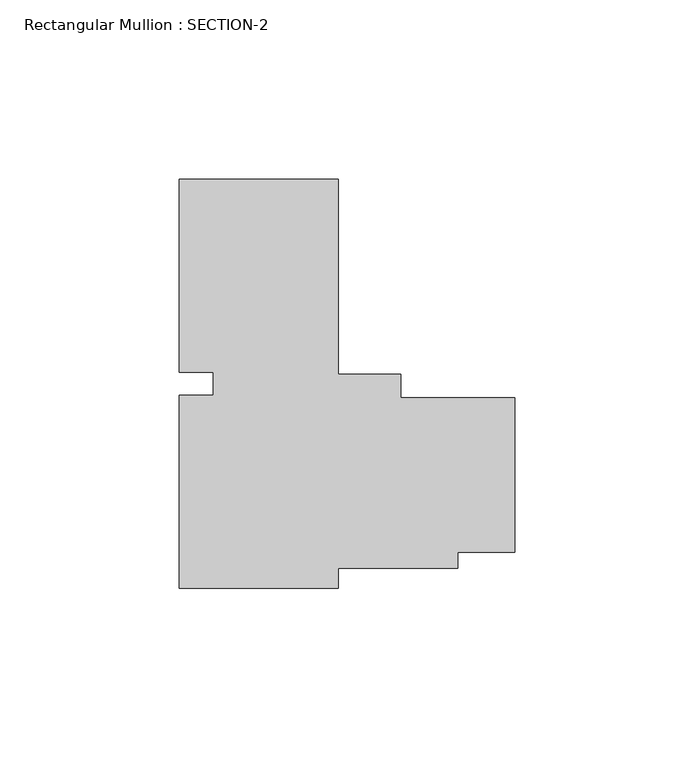
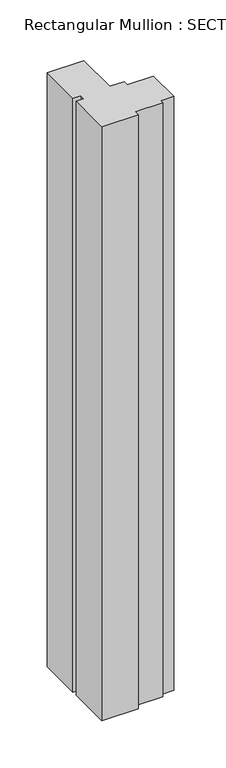
"""IFC4 building model written with IfcOpenShell, lengths in millimetres: member geometry, Rectangular Mullion : SECTION-2."""

from ifc_helpers import new_model, si_unit, frame, origin, place, context, project, spatial, polyline, outline, extrude, source, transform, mapped, element, save


def rectangular_mullion_section_2_3cfe7e94(model_context):
    return source(origin(), model_context, "Body", "SweptSolid", [
        extrude(outline(polyline([(-4.1635289, 59.6874919), (-4.1635289, 5.123688), (13.3002319, 5.123688), (13.3002319, -1.3313843), (45.0616711, -1.3313843), (45.0616711, -44.5050978), (29.1866711, -44.5050978), (29.1866711, -48.9563843), (-4.1635289, -48.9563843), (-4.1635289, -54.6125081), (-48.6135289, -54.6125081), (-48.6135289, -0.7134418), (-39.0885289, -0.7134418), (-39.0885289, 5.7267965), (-48.6135289, 5.7267965), (-48.6135289, 59.6874919), (-4.1635289, 59.6874919)])), frame((0.0, 0.0, -764.9541979), z_axis=(0.0, 0.0, 1.0), x_axis=(1.0, 0.0, 0.0)), (0.0, 0.0, 1.0), 764.9541979),
    ])


if __name__ == "__main__":
    model = new_model("IFC4")
    model_context = context("Model", 3, world=origin())
    ifc_project = project(units=[si_unit("LENGTHUNIT", "METRE", prefix="MILLI")], contexts=[model_context])
    site = spatial("IfcSite", under=ifc_project)
    building = spatial("IfcBuilding", under=site)
    placement = place(None, origin())
    rectangular_mullion_section_2_shape = rectangular_mullion_section_2_3cfe7e94(model_context)
    element("IfcMember", 1, ObjectType="Rectangular Mullion : SECTION-2", at=placement, inside=building, context=model_context, shape_type="MappedRepresentation", body=[
        mapped(rectangular_mullion_section_2_shape, transform((0.0, 0.0, 0.0), x_axis=(1.0, 0.0, 0.0), y_axis=(0.0, 1.0, 0.0), z_axis=(0.0, 0.0, 1.0))),
    ])
    save(model, "model.ifc")
